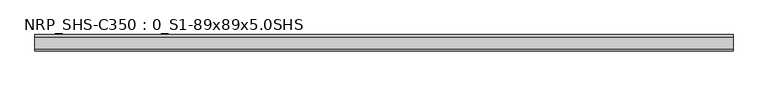
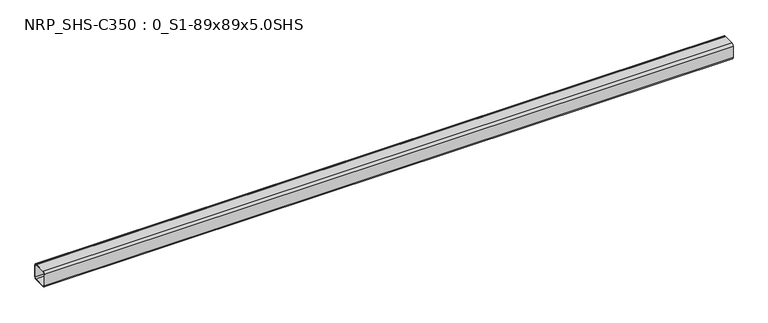
"""IFC4 building model written with IfcOpenShell, lengths in millimetres: beam geometry, NRP_SHS-C350 : 0_S1-89x89x5.0SHS."""

from ifc_helpers import new_model, si_unit, point, frame, frame_2d, origin, place, context, project, spatial, polyline, circle_curve, trimmed, segment, composite_curve, outline, extrude, source, transform, mapped, element, save


def nrp_shs_c350_0_s1_89x89x5_0shs_a377dee2(model_context):
    return source(origin(), model_context, "Body", "SweptSolid", [
        extrude(outline(composite_curve([segment(polyline([(44.5, 32.0), (44.5, -32.0)]), True, "CONTINUOUS"), segment(trimmed(circle_curve(frame_2d((32.0, -32.0)), 12.5), [point((44.5, -32.0))], [point((32.0, -44.5))], False, "CARTESIAN"), True, "CONTINUOUS"), segment(polyline([(32.0, -44.5), (-32.0, -44.5)]), True, "CONTINUOUS"), segment(trimmed(circle_curve(frame_2d((-32.0, -32.0)), 12.5), [point((-32.0, -44.5))], [point((-44.5, -32.0))], False, "CARTESIAN"), True, "CONTINUOUS"), segment(polyline([(-44.5, -32.0), (-44.5, 32.0)]), True, "CONTINUOUS"), segment(trimmed(circle_curve(frame_2d((-32.0, 32.0)), 12.5), [point((-44.5, 32.0))], [point((-32.0, 44.5))], False, "CARTESIAN"), True, "CONTINUOUS"), segment(polyline([(-32.0, 44.5), (32.0, 44.5)]), True, "CONTINUOUS"), segment(trimmed(circle_curve(frame_2d((32.0, 32.0)), 12.5), [point((32.0, 44.5))], [point((44.5, 32.0))], False, "CARTESIAN"), True, "CONTINUOUS")], self_intersect=False), holes=[composite_curve([segment(trimmed(circle_curve(frame_2d((-32.0, 32.0)), 7.5), [point((-32.0, 39.5))], [point((-39.5, 32.0))], True, "CARTESIAN"), True, "CONTINUOUS"), segment(polyline([(-39.5, 32.0), (-39.5, -32.0)]), True, "CONTINUOUS"), segment(trimmed(circle_curve(frame_2d((-32.0, -32.0)), 7.5), [point((-39.5, -32.0))], [point((-32.0, -39.5))], True, "CARTESIAN"), True, "CONTINUOUS"), segment(polyline([(-32.0, -39.5), (32.0, -39.5)]), True, "CONTINUOUS"), segment(trimmed(circle_curve(frame_2d((32.0, -32.0)), 7.5), [point((32.0, -39.5))], [point((39.5, -32.0))], True, "CARTESIAN"), True, "CONTINUOUS"), segment(polyline([(39.5, -32.0), (39.5, 32.0)]), True, "CONTINUOUS"), segment(trimmed(circle_curve(frame_2d((32.0, 32.0)), 7.5), [point((39.5, 32.0))], [point((32.0, 39.5))], True, "CARTESIAN"), True, "CONTINUOUS"), segment(polyline([(32.0, 39.5), (-32.0, 39.5)]), True, "CONTINUOUS")], self_intersect=False)]), frame((-1843.5, 0.0, 0.0), z_axis=(1.0, 0.0, 0.0), x_axis=(0.0, 1.0, 0.0)), (0.0, 0.0, 1.0), 3768.0),
    ])


if __name__ == "__main__":
    model = new_model("IFC4")
    model_context = context("Model", 3, world=origin())
    ifc_project = project(units=[si_unit("LENGTHUNIT", "METRE", prefix="MILLI")], contexts=[model_context])
    site = spatial("IfcSite", under=ifc_project)
    building = spatial("IfcBuilding", under=site)
    placement = place(None, origin())
    nrp_shs_c350_0_s1_89x89x5_0shs_shape = nrp_shs_c350_0_s1_89x89x5_0shs_a377dee2(model_context)
    element("IfcBeam", 1, ObjectType="NRP_SHS-C350 : 0_S1-89x89x5.0SHS", at=placement, inside=building, context=model_context, shape_type="MappedRepresentation", body=[
        mapped(nrp_shs_c350_0_s1_89x89x5_0shs_shape, transform((0.0, 0.0, 0.0), x_axis=(1.0, 0.0, 0.0), y_axis=(0.0, 1.0, 0.0), z_axis=(0.0, 0.0, 1.0))),
    ])
    save(model, "model.ifc")
